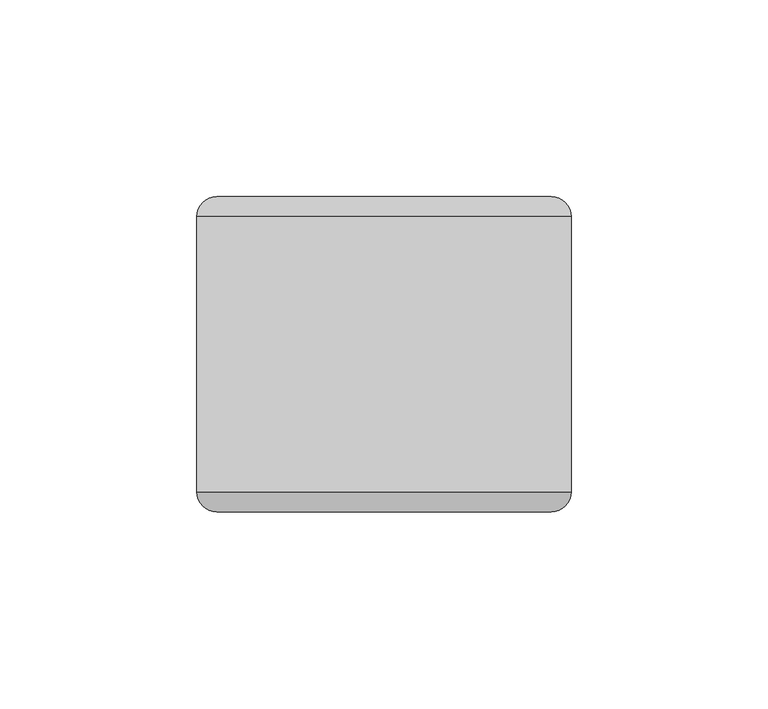
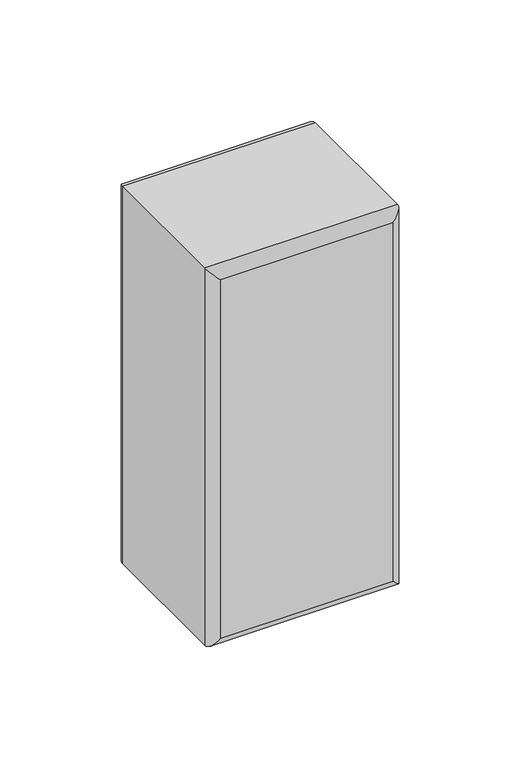
"""IFC4 building model written with IfcOpenShell, lengths in millimetres: plate geometry."""

from ifc_helpers import new_model, si_unit, frame, origin, place, context, project, spatial, ellipse_curve, source, transform, mapped, element, save
from ifc_brep_helpers import plane_surface, cylinder_surface, advanced_brep


def plate_f3653162(model_context):
    return source(origin(), model_context, "Body", "AdvancedBrep", [
        advanced_brep(
        [(-47.625, -35.0, 196.9869895), (47.375, -35.0, 196.9869895), (47.375, 35.0, 196.9869895), (-47.625, 35.0, 196.9869895), (47.375, -35.0, 0.0), (-47.625, -35.0, 0.0), (-47.625, 35.0, 0.0), (47.375, 35.0, 0.0), (-42.625, -40.0, 5.0), (42.375, -40.0, 5.0), (42.375, -40.0, 191.9869895), (-42.625, -40.0, 191.9869895), (42.375, 40.0, 5.0), (-42.625, 40.0, 5.0), (-42.625, 40.0, 191.9869895), (42.375, 40.0, 191.9869895)],
        [
            (0, 1),
            (1, 2),
            (2, 3),
            (3, 0),
            (4, 5),
            (5, 6),
            (6, 7),
            (7, 4),
            (8, 9),
            (9, 10),
            (10, 11),
            (11, 8),
            (1, 4),
            (7, 2),
            (12, 13),
            (13, 14),
            (14, 15),
            (15, 12),
            (5, 0),
            (3, 6),
            (4, 9, ellipse_curve(frame((42.375, -35.0, 5.0), z_axis=(-0.7071067811865475, 0.0, -0.7071067811865475), x_axis=(0.7071067811865476, 0.0, -0.7071067811865474)), 7.0710678, 5.0)),
            (8, 5, ellipse_curve(frame((-42.625, -35.0, 5.0), z_axis=(0.7071067811865475, 0.0, -0.7071067811865475), x_axis=(0.7071067811865476, 0.0, 0.7071067811865474)), 7.0710678, 5.0)),
            (1, 10, ellipse_curve(frame((42.375, -35.0, 191.9869895), z_axis=(0.7071067811865475, 0.0, -0.7071067811865475), x_axis=(0.7071067811865474, 0.0, 0.7071067811865476)), 7.0710678, 5.0)),
            (0, 11, ellipse_curve(frame((-42.625, -35.0, 191.9869895), z_axis=(0.7071067811865475, 0.0, 0.7071067811865475), x_axis=(-0.7071067811865476, 0.0, 0.7071067811865474)), 7.0710678, 5.0)),
            (12, 7, ellipse_curve(frame((42.375, 35.0, 5.0), z_axis=(-0.7071067811865475, 0.0, -0.7071067811865475), x_axis=(0.7071067811865476, 0.0, -0.7071067811865474)), 7.0710678, 5.0)),
            (6, 13, ellipse_curve(frame((-42.625, 35.0, 5.0), z_axis=(0.7071067811865475, 0.0, -0.7071067811865475), x_axis=(0.7071067811865476, 0.0, 0.7071067811865474)), 7.0710678, 5.0)),
            (15, 2, ellipse_curve(frame((42.375, 35.0, 191.9869895), z_axis=(0.7071067811865475, 0.0, -0.7071067811865475), x_axis=(0.7071067811865474, 0.0, 0.7071067811865476)), 7.0710678, 5.0)),
            (14, 3, ellipse_curve(frame((-42.625, 35.0, 191.9869895), z_axis=(0.7071067811865475, 0.0, 0.7071067811865475), x_axis=(-0.7071067811865476, 0.0, 0.7071067811865474)), 7.0710678, 5.0)),
        ],
        [
            plane_surface(frame((-47.625, -40.0, 196.9869895), z_axis=(0.0, 0.0, 1.0), x_axis=(1.0, 0.0, 0.0))),
            plane_surface(frame((-47.625, -40.0, 0.0), z_axis=(0.0, 0.0, -1.0), x_axis=(-1.0, 0.0, 0.0))),
            plane_surface(frame((-47.625, -40.0, 196.9869895), z_axis=(0.0, -1.0, 0.0), x_axis=(0.0, 0.0, -1.0))),
            plane_surface(frame((47.375, -40.0, 196.9869895), z_axis=(1.0, 0.0, 0.0), x_axis=(0.0, 0.0, -1.0))),
            plane_surface(frame((47.375, 40.0, 196.9869895), z_axis=(0.0, 1.0, 0.0), x_axis=(0.0, 0.0, -1.0))),
            plane_surface(frame((-47.625, 40.0, 196.9869895), z_axis=(-1.0, 0.0, 0.0), x_axis=(0.0, 0.0, -1.0))),
            cylinder_surface(frame((-47.625, -35.0, 5.0), z_axis=(1.0, 0.0, 0.0), x_axis=(0.0, 0.0, -1.0)), 5.0),
            cylinder_surface(frame((42.375, -35.0, 0.0), z_axis=(0.0, 0.0, 1.0), x_axis=(1.0, 0.0, 0.0)), 5.0),
            cylinder_surface(frame((47.375, -35.0, 191.9869895), z_axis=(-1.0, 0.0, 0.0), x_axis=(0.0, 0.0, 1.0)), 5.0),
            cylinder_surface(frame((-42.625, -35.0, 196.9869895), z_axis=(0.0, 0.0, -1.0), x_axis=(-1.0, 0.0, 0.0)), 5.0),
            cylinder_surface(frame((-47.625, 35.0, 5.0), z_axis=(1.0, 0.0, 0.0), x_axis=(0.0, 0.0, -1.0)), 5.0),
            cylinder_surface(frame((42.375, 35.0, 0.0), z_axis=(0.0, 0.0, 1.0), x_axis=(1.0, 0.0, 0.0)), 5.0),
            cylinder_surface(frame((47.375, 35.0, 191.9869895), z_axis=(-1.0, 0.0, 0.0), x_axis=(0.0, 0.0, 1.0)), 5.0),
            cylinder_surface(frame((-42.625, 35.0, 196.9869895), z_axis=(0.0, 0.0, -1.0), x_axis=(-1.0, 0.0, 0.0)), 5.0),
        ],
        [
            (0, [[1, 2, 3, 4]]),
            (1, [[5, 6, 7, 8]]),
            (2, [[9, 10, 11, 12]]),
            (3, [[13, -8, 14, -2]]),
            (4, [[15, 16, 17, 18]]),
            (5, [[19, -4, 20, -6]]),
            (6, [[21, -9, 22, -5]]),
            (7, [[-21, -13, 23, -10]]),
            (8, [[-23, -1, 24, -11]]),
            (9, [[-22, -12, -24, -19]]),
            (10, [[25, -7, 26, -15]]),
            (11, [[-25, -18, 27, -14]]),
            (12, [[-27, -17, 28, -3]]),
            (13, [[-26, -20, -28, -16]]),
        ],
    ),
    ])


if __name__ == "__main__":
    model = new_model("IFC4")
    model_context = context("Model", 3, world=origin())
    ifc_project = project(units=[si_unit("LENGTHUNIT", "METRE", prefix="MILLI")], contexts=[model_context])
    site = spatial("IfcSite", under=ifc_project)
    building = spatial("IfcBuilding", under=site)
    placement = place(None, origin())
    plate_shape = plate_f3653162(model_context)
    element("IfcPlate", 1, at=placement, inside=building, context=model_context, shape_type="MappedRepresentation", body=[
        mapped(plate_shape, transform((0.0, 0.0, 0.0), x_axis=(1.0, 0.0, 0.0), y_axis=(0.0, 1.0, 0.0), z_axis=(0.0, 0.0, 1.0))),
    ])
    save(model, "model.ifc")
